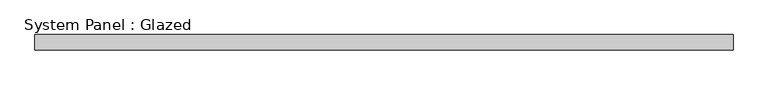
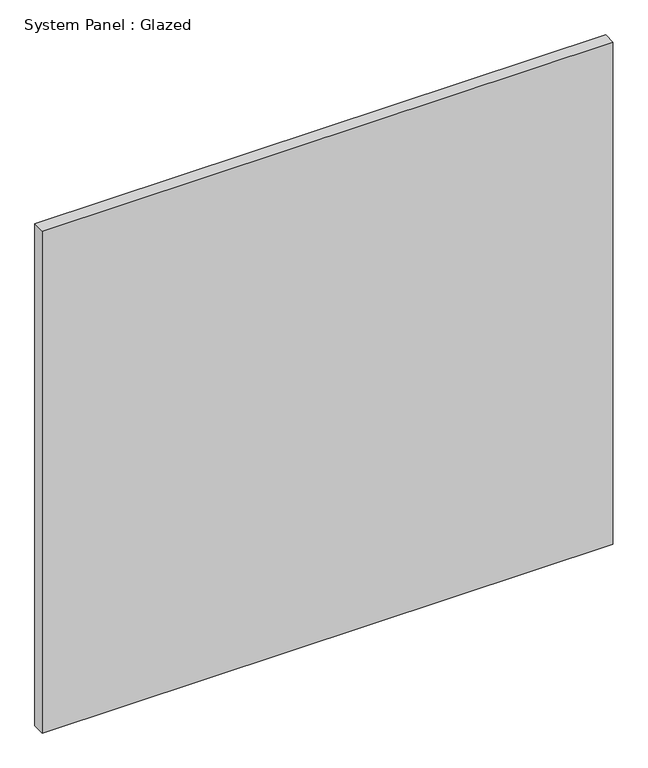
"""IFC4 building model written with IfcOpenShell, lengths in millimetres: plate geometry, System Panel : Glazed."""

from ifc_helpers import new_model, si_unit, origin, origin_with_axes, place, context, project, spatial, polyline, outline, extrude, source, transform, mapped, element, save


def system_panel_glazed_3a79f491(model_context):
    return source(origin(), model_context, "Body", "SweptSolid", [
        extrude(outline(polyline([(575.0749998, 24.5), (-575.0749998, 24.5), (-575.0749998, 49.5), (575.0749998, 49.5), (575.0749998, 24.5)])), origin_with_axes(), (0.0, 0.0, 1.0), 1069.3619882),
    ])


if __name__ == "__main__":
    model = new_model("IFC4")
    model_context = context("Model", 3, world=origin())
    ifc_project = project(units=[si_unit("LENGTHUNIT", "METRE", prefix="MILLI")], contexts=[model_context])
    site = spatial("IfcSite", under=ifc_project)
    building = spatial("IfcBuilding", under=site)
    placement = place(None, origin())
    system_panel_glazed_shape = system_panel_glazed_3a79f491(model_context)
    element("IfcPlate", 1, ObjectType="System Panel : Glazed", at=placement, inside=building, context=model_context, shape_type="MappedRepresentation", body=[
        mapped(system_panel_glazed_shape, transform((0.0, 0.0, 0.0), x_axis=(1.0, 0.0, 0.0), y_axis=(0.0, 1.0, 0.0), z_axis=(0.0, 0.0, 1.0))),
    ])
    save(model, "model.ifc")
